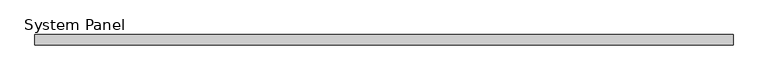
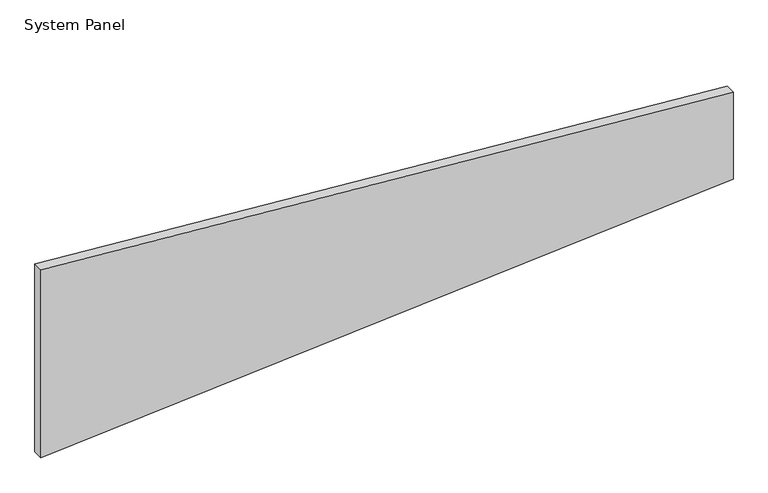
"""IFC4 building model written with IfcOpenShell, lengths in millimetres: plate geometry, System Panel."""

from ifc_helpers import new_model, si_unit, frame, origin, place, context, project, spatial, polyline, outline, extrude, source, transform, mapped, element, save


def system_panel_8f94fc8a(model_context):
    return source(origin(), model_context, "Body", "SweptSolid", [
        extrude(outline(polyline([(0.0, -660.9815752), (100.8955476, 660.9815752), (277.0956304, 660.9815752), (380.301053, -660.9815752), (0.0, -660.9815752)])), frame((0.0, -10.0, 0.0), z_axis=(0.0, 1.0, 0.0), x_axis=(0.0, 0.0, 1.0)), (0.0, 0.0, 1.0), 20.0),
    ])


if __name__ == "__main__":
    model = new_model("IFC4")
    model_context = context("Model", 3, world=origin())
    ifc_project = project(units=[si_unit("LENGTHUNIT", "METRE", prefix="MILLI")], contexts=[model_context])
    site = spatial("IfcSite", under=ifc_project)
    building = spatial("IfcBuilding", under=site)
    placement = place(None, origin())
    system_panel_shape = system_panel_8f94fc8a(model_context)
    element("IfcPlate", 1, ObjectType="System Panel", at=placement, inside=building, context=model_context, shape_type="MappedRepresentation", body=[
        mapped(system_panel_shape, transform((0.0, 0.0, 0.0), x_axis=(1.0, 0.0, 0.0), y_axis=(0.0, 1.0, 0.0), z_axis=(0.0, 0.0, 1.0))),
    ])
    save(model, "model.ifc")
